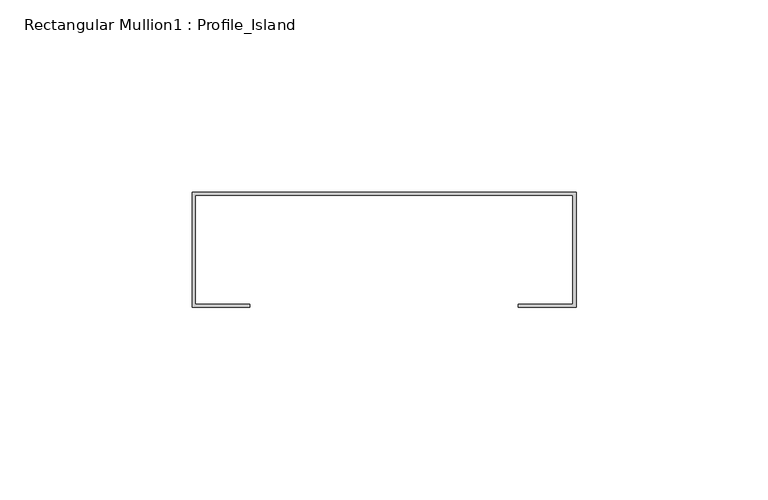
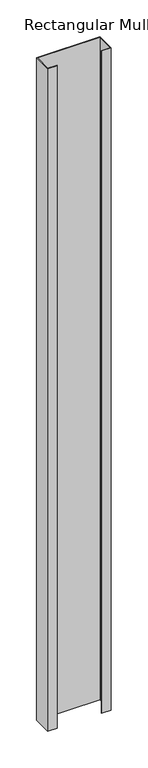
"""IFC4 building model written with IfcOpenShell, lengths in millimetres: member geometry, Rectangular Mullion1 : Profile_Island."""

from ifc_helpers import new_model, si_unit, frame, origin, place, context, project, spatial, polyline, outline, extrude, source, transform, mapped, element, save


def rectangular_mullion1_profile_island_5e420d0f(model_context):
    return source(origin(), model_context, "Body", "SweptSolid", [
        extrude(outline(polyline([(0.0, 32.0), (0.0, 2.0), (-15.0, 2.0), (-15.0, 2.8), (-0.8, 2.8), (-0.8, 31.2), (-99.2, 31.2), (-99.2, 2.8), (-85.0, 2.8), (-85.0, 2.0), (-100.0, 2.0), (-100.0, 32.0), (0.0, 32.0)])), frame((0.0, 0.0, -1100.500017), z_axis=(0.0, 0.0, 1.0), x_axis=(1.0, 0.0, 0.0)), (0.0, 0.0, 1.0), 1100.500017),
    ])


if __name__ == "__main__":
    model = new_model("IFC4")
    model_context = context("Model", 3, world=origin())
    ifc_project = project(units=[si_unit("LENGTHUNIT", "METRE", prefix="MILLI")], contexts=[model_context])
    site = spatial("IfcSite", under=ifc_project)
    building = spatial("IfcBuilding", under=site)
    placement = place(None, origin())
    rectangular_mullion1_profile_island_shape = rectangular_mullion1_profile_island_5e420d0f(model_context)
    element("IfcMember", 1, ObjectType="Rectangular Mullion1 : Profile_Island", at=placement, inside=building, context=model_context, shape_type="MappedRepresentation", body=[
        mapped(rectangular_mullion1_profile_island_shape, transform((0.0, 0.0, 0.0), x_axis=(1.0, 0.0, 0.0), y_axis=(0.0, 1.0, 0.0), z_axis=(0.0, 0.0, 1.0))),
    ])
    save(model, "model.ifc")
